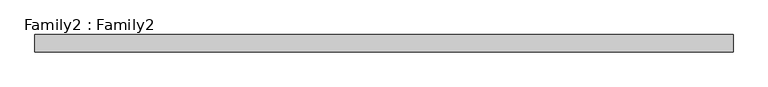
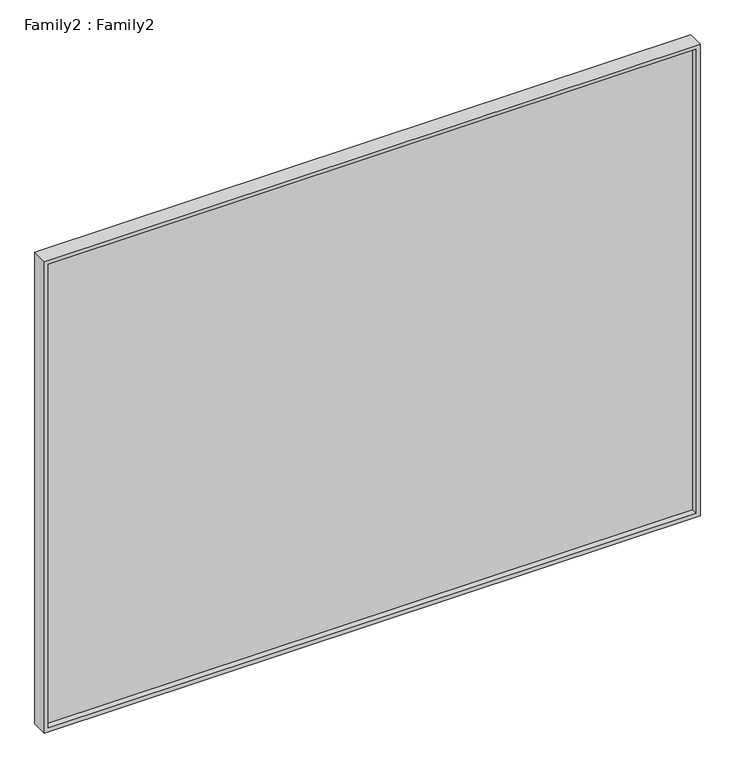
"""IFC4 building model written with IfcOpenShell, lengths in millimetres: plate geometry, Family2 : Family2."""

from ifc_helpers import new_model, si_unit, frame, origin, place, context, project, spatial, polyline, outline, extrude, source, transform, mapped, element, save


def family2_family2_0674e693(model_context):
    return source(origin(), model_context, "Body", "SweptSolid", [
        extrude(outline(polyline([(2450.0, -1612.5), (0.0, -1612.5), (0.0, 1612.5), (2450.0, 1612.5), (2450.0, -1612.5)]), holes=[polyline([(20.0, -1592.5), (2430.0, -1592.5), (2430.0, 1592.5), (20.0, 1592.5), (20.0, -1592.5)])]), frame((0.0, -40.0, 0.0), z_axis=(0.0, 1.0, 0.0), x_axis=(0.0, 0.0, 1.0)), (0.0, 0.0, 1.0), 80.0),
        extrude(outline(polyline([(1592.5, -10.0), (-1592.5, -10.0), (-1592.5, 10.0), (1592.5, 10.0), (1592.5, -10.0)])), frame((0.0, 0.0, 20.0), z_axis=(0.0, 0.0, 1.0), x_axis=(1.0, 0.0, 0.0)), (0.0, 0.0, 1.0), 2410.0),
    ])


if __name__ == "__main__":
    model = new_model("IFC4")
    model_context = context("Model", 3, world=origin())
    ifc_project = project(units=[si_unit("LENGTHUNIT", "METRE", prefix="MILLI")], contexts=[model_context])
    site = spatial("IfcSite", under=ifc_project)
    building = spatial("IfcBuilding", under=site)
    placement = place(None, origin())
    family2_family2_shape = family2_family2_0674e693(model_context)
    element("IfcPlate", 1, ObjectType="Family2 : Family2", at=placement, inside=building, context=model_context, shape_type="MappedRepresentation", body=[
        mapped(family2_family2_shape, transform((0.0, 0.0, 0.0), x_axis=(1.0, 0.0, 0.0), y_axis=(0.0, 1.0, 0.0), z_axis=(0.0, 0.0, 1.0))),
    ])
    save(model, "model.ifc")
